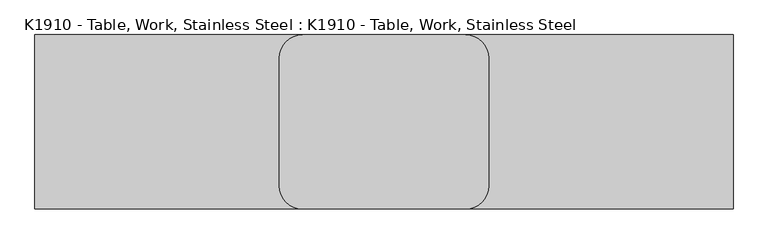
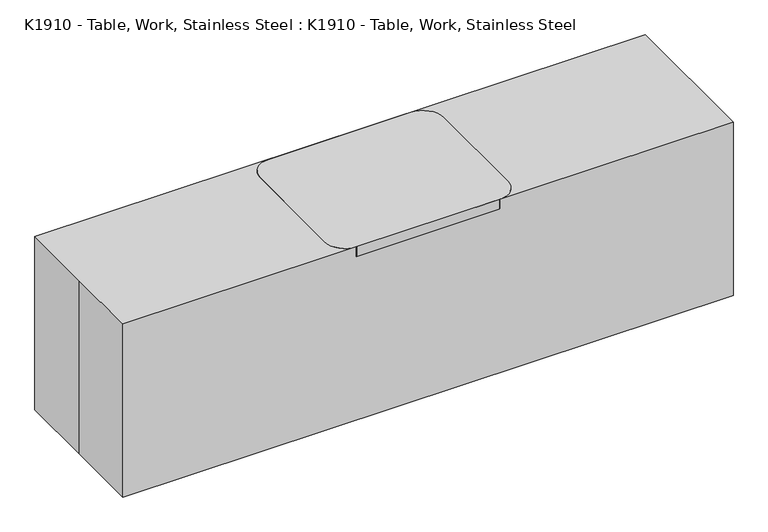
"""IFC4 building model written with IfcOpenShell, lengths in millimetres: proxy geometry, K1910 - Table, Work, Stainless Steel : K1910 - Table, Work, Stainless Steel."""

from ifc_helpers import new_model, si_unit, point, frame, frame_2d, origin, origin_with_axes, place, context, project, spatial, polyline, circle_curve, trimmed, segment, composite_curve, outline, extrude, source, transform, mapped, element, save


def k1910_table_work_stainless_steel_k1910_table_work_stainless_a95396d0(model_context):
    return source(origin(), model_context, "Body", "SweptSolid", [
        extrude(outline(composite_curve([segment(trimmed(circle_curve(frame_2d((-355.6, -279.4)), 38.1), [point((-317.5, -279.4))], [point((-393.7, -279.4))], False, "CARTESIAN"), True, "CONTINUOUS"), segment(trimmed(circle_curve(frame_2d((-355.6, -279.4)), 38.1), [point((-393.7, -279.4))], [point((-317.5, -279.4))], False, "CARTESIAN"), True, "CONTINUOUS")], self_intersect=False)), origin_with_axes(), (0.0, 0.0, 1.0), 863.6),
        extrude(outline(composite_curve([segment(trimmed(circle_curve(frame_2d((-355.6, 279.4)), 38.1), [point((-317.5, 279.4))], [point((-393.7, 279.4))], False, "CARTESIAN"), True, "CONTINUOUS"), segment(trimmed(circle_curve(frame_2d((-355.6, 279.4)), 38.1), [point((-393.7, 279.4))], [point((-317.5, 279.4))], False, "CARTESIAN"), True, "CONTINUOUS")], self_intersect=False)), origin_with_axes(), (0.0, 0.0, 1.0), 863.6),
        extrude(outline(composite_curve([segment(trimmed(circle_curve(frame_2d((355.6, 279.4)), 38.1), [point((317.5, 279.4))], [point((355.6, 241.3))], True, "CARTESIAN"), True, "CONTINUOUS"), segment(polyline([(355.6, 241.3), (355.6, -241.3)]), True, "CONTINUOUS"), segment(trimmed(circle_curve(frame_2d((355.6, -279.4)), 38.1), [point((355.6, -241.3))], [point((317.5, -279.4))], True, "CARTESIAN"), True, "CONTINUOUS"), segment(polyline([(317.5, -279.4), (-317.5, -279.4)]), True, "CONTINUOUS"), segment(trimmed(circle_curve(frame_2d((-355.6, -279.4)), 38.1), [point((-317.5, -279.4))], [point((-355.6, -241.3))], True, "CARTESIAN"), True, "CONTINUOUS"), segment(polyline([(-355.6, -241.3), (-355.6, 241.3)]), True, "CONTINUOUS"), segment(trimmed(circle_curve(frame_2d((-355.6, 279.4)), 38.1), [point((-355.6, 241.3))], [point((-317.5, 279.4))], True, "CARTESIAN"), True, "CONTINUOUS"), segment(polyline([(-317.5, 279.4), (317.5, 279.4)]), True, "CONTINUOUS")], self_intersect=False)), frame((0.0, 0.0, 304.8), z_axis=(0.0, 0.0, 1.0), x_axis=(1.0, 0.0, 0.0)), (0.0, 0.0, 1.0), 25.4),
        extrude(outline(composite_curve([segment(trimmed(circle_curve(frame_2d((355.6, -279.4)), 38.1), [point((317.5, -279.4))], [point((393.7, -279.4))], False, "CARTESIAN"), True, "CONTINUOUS"), segment(trimmed(circle_curve(frame_2d((355.6, -279.4)), 38.1), [point((393.7, -279.4))], [point((317.5, -279.4))], False, "CARTESIAN"), True, "CONTINUOUS")], self_intersect=False)), origin_with_axes(), (0.0, 0.0, 1.0), 863.6),
        extrude(outline(composite_curve([segment(trimmed(circle_curve(frame_2d((355.6, 279.4)), 38.1), [point((317.5, 279.4))], [point((393.7, 279.4))], False, "CARTESIAN"), True, "CONTINUOUS"), segment(trimmed(circle_curve(frame_2d((355.6, 279.4)), 38.1), [point((393.7, 279.4))], [point((317.5, 279.4))], False, "CARTESIAN"), True, "CONTINUOUS")], self_intersect=False)), origin_with_axes(), (0.0, 0.0, 1.0), 863.6),
        extrude(outline(composite_curve([segment(trimmed(circle_curve(frame_2d((-355.6, 279.4)), 101.6), [point((-457.2, 279.4))], [point((-355.6, 381.0))], False, "CARTESIAN"), True, "CONTINUOUS"), segment(polyline([(-355.6, 381.0), (355.6, 381.0)]), True, "CONTINUOUS"), segment(trimmed(circle_curve(frame_2d((355.6, 279.4)), 101.6), [point((355.6, 381.0))], [point((457.2, 279.4))], False, "CARTESIAN"), True, "CONTINUOUS"), segment(polyline([(457.2, 279.4), (457.2, -279.4)]), True, "CONTINUOUS"), segment(trimmed(circle_curve(frame_2d((355.6, -279.4)), 101.6), [point((457.2, -279.4))], [point((355.6, -381.0))], False, "CARTESIAN"), True, "CONTINUOUS"), segment(polyline([(355.6, -381.0), (-355.6, -381.0)]), True, "CONTINUOUS"), segment(trimmed(circle_curve(frame_2d((-355.6, -279.4)), 101.6), [point((-355.6, -381.0))], [point((-457.2, -279.4))], False, "CARTESIAN"), True, "CONTINUOUS"), segment(polyline([(-457.2, -279.4), (-457.2, 279.4)]), True, "CONTINUOUS")], self_intersect=False)), frame((0.0, 0.0, 863.6), z_axis=(0.0, 0.0, 1.0), x_axis=(1.0, 0.0, 0.0)), (0.0, 0.0, 1.0), 50.8),
        extrude(outline(polyline([(-1524.0, 381.0), (1524.0, 381.0), (1524.0, -381.0), (-1524.0, -381.0), (-1524.0, 0.0), (-1524.0, 381.0)])), origin_with_axes(), (0.0, 0.0, 1.0), 914.4),
    ])


if __name__ == "__main__":
    model = new_model("IFC4")
    model_context = context("Model", 3, world=origin())
    ifc_project = project(units=[si_unit("LENGTHUNIT", "METRE", prefix="MILLI")], contexts=[model_context])
    site = spatial("IfcSite", under=ifc_project)
    building = spatial("IfcBuilding", under=site)
    placement = place(None, origin())
    k1910_table_work_stainless_steel_k1910_table_work_stainless_shape = k1910_table_work_stainless_steel_k1910_table_work_stainless_a95396d0(model_context)
    element("IfcBuildingElementProxy", 1, Name="K1910 - Table, Work, Stainless Steel : K1910 - Table, Work, Stainless Steel", ObjectType="K1910 - Table, Work, Stainless Steel : K1910 - Table, Work, Stainless Steel", at=placement, inside=building, context=model_context, shape_type="MappedRepresentation", body=[
        mapped(k1910_table_work_stainless_steel_k1910_table_work_stainless_shape, transform((0.0, 0.0, 0.0), x_axis=(1.0, 0.0, 0.0), y_axis=(0.0, 1.0, 0.0), z_axis=(0.0, 0.0, 1.0))),
    ])
    save(model, "model.ifc")
